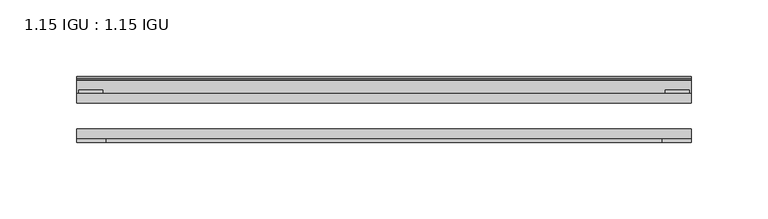
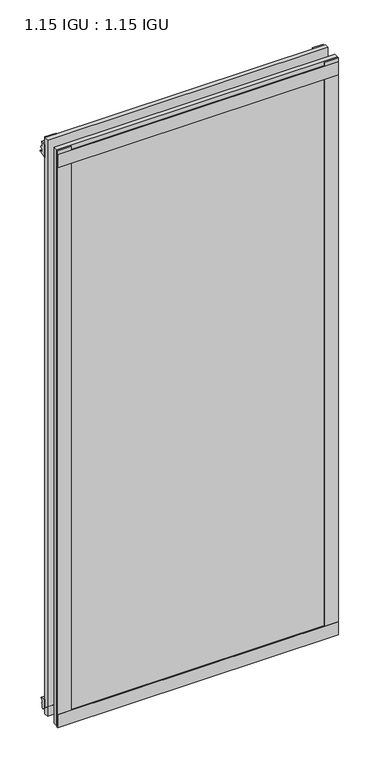
"""IFC4 building model written with IfcOpenShell, lengths in millimetres: plate geometry, 1.15 IGU : 1.15 IGU."""

import ifcopenshell
import ifcopenshell.guid

model = None  # the IFC model being written
_history = None  # IfcOwnerHistory: only IFC2X3 demands one
_inside = {}  # id of a spatial element -> (the spatial element, [elements in it])
_under = {}  # id of a project, library or spatial element -> (it, [spatial elements below it])
_declared = {}  # id of a project -> (the project, [libraries it declares])
_typed = {}  # id of a type object -> (the type object, [elements of that type])
_made_of = {}  # id of a material, layer set ... -> (it, [elements and type objects made of it])


def new_model(schema):
    """Start an empty IFC model of exactly this schema.

    Asked for "IFC4X3", IfcOpenShell would pick the latest addendum, in which some entities
    have other attributes; the version numbers below select the first issue.
    IFC2X3 requires an IfcOwnerHistory on every rooted entity: one is made here for all.
    """
    global model, _history
    if schema == "IFC4X3":
        model = ifcopenshell.file(schema_version=(4, 3, 0, 0))
    else:
        model = ifcopenshell.file(schema=schema)
    _inside.clear()
    _under.clear()
    _declared.clear()
    _typed.clear()
    _made_of.clear()
    _history = None
    if model.schema == "IFC2X3":
        org = make("IfcOrganization", Name="unknown")
        user = make(
            "IfcPersonAndOrganization",
            ThePerson=make("IfcPerson", FamilyName="unknown"),
            TheOrganization=org,
        )
        app = make(
            "IfcApplication",
            ApplicationDeveloper=org,
            Version="unknown",
            ApplicationFullName="unknown",
            ApplicationIdentifier="unknown",
        )
        _history = make(
            "IfcOwnerHistory",
            OwningUser=user,
            OwningApplication=app,
            ChangeAction="ADDED",
            CreationDate=0,
        )
    return model


def make(cls, **values):
    """One entity of the class cls with the attributes given. An attribute that is None is left unset."""
    return model.create_entity(
        cls, **{name: value for name, value in values.items() if value is not None}
    )


def rooted(cls, **values):
    """An entity with a GlobalId (a new one), such as an element, a storey or a relation."""
    return make(cls, GlobalId=ifcopenshell.guid.new(), OwnerHistory=_history, **values)


def si_unit(unit_type, name, prefix=None):
    """IfcSIUnit, for example si_unit("LENGTHUNIT", "METRE", prefix="MILLI")."""
    return make("IfcSIUnit", UnitType=unit_type, Prefix=prefix, Name=name)


def assignment(units):
    """IfcUnitAssignment: the units of a project."""
    return None if units is None else make("IfcUnitAssignment", Units=units)


def point(xyz):
    """IfcCartesianPoint."""
    return None if xyz is None else make("IfcCartesianPoint", Coordinates=xyz)


def direction(xyz):
    """IfcDirection."""
    return None if xyz is None else make("IfcDirection", DirectionRatios=xyz)


def frame(location, z_axis=None, x_axis=None):
    """IfcAxis2Placement3D, a coordinate frame: its origin and axes. An axis left out is left unset."""
    return make(
        "IfcAxis2Placement3D",
        Location=point(location),
        Axis=direction(z_axis),
        RefDirection=direction(x_axis),
    )


def frame_2d(location, x_axis=None):
    """IfcAxis2Placement2D, a coordinate frame in the plane: its origin and x axis."""
    return make(
        "IfcAxis2Placement2D", Location=point(location), RefDirection=direction(x_axis)
    )


def origin():
    """The frame at (0, 0, 0) with its axes left unset."""
    return frame((0.0, 0.0, 0.0))


def place(relative_to, where):
    """IfcLocalPlacement: puts the frame where relative to a parent placement (None: the world)."""
    return make(
        "IfcLocalPlacement", PlacementRelTo=relative_to, RelativePlacement=where
    )


def context(
    kind, dimensions, precision=None, world=None, true_north=None, identifier=None
):
    """IfcGeometricRepresentationContext, for example the 3D "Model" context."""
    return make(
        "IfcGeometricRepresentationContext",
        ContextIdentifier=identifier,
        ContextType=kind,
        CoordinateSpaceDimension=dimensions,
        Precision=precision,
        WorldCoordinateSystem=world,
        TrueNorth=true_north,
    )


def project(units=None, contexts=None):
    """IfcProject with its units and contexts."""
    return rooted(
        "IfcProject",
        Name="project",
        RepresentationContexts=contexts,
        UnitsInContext=assignment(units),
    )


def spatial(cls, under=None, at=None, **own):
    """A site, building, storey or space (cls), placed at a placement, below another one or the project."""
    s = rooted(cls, ObjectPlacement=at, **own)
    if under is not None:
        _under.setdefault(under.id(), (under, []))[1].append(s)
    return s


def polyline(points):
    """IfcPolyline through the points."""
    return make("IfcPolyline", Points=[point(p) for p in points])


def circle_curve(where, radius):
    """IfcCircle in the frame where."""
    return make("IfcCircle", Position=where, Radius=radius)


def trimmed(basis, trim1, trim2, sense, master):
    """IfcTrimmedCurve: the piece of a basis curve between two trims."""
    return make(
        "IfcTrimmedCurve",
        BasisCurve=basis,
        Trim1=trim1,
        Trim2=trim2,
        SenseAgreement=sense,
        MasterRepresentation=master,
    )


def segment(curve, same_sense, transition):
    """IfcCompositeCurveSegment."""
    return make(
        "IfcCompositeCurveSegment",
        Transition=transition,
        SameSense=same_sense,
        ParentCurve=curve,
    )


def composite_curve(segments, self_intersect=None):
    """IfcCompositeCurve: segments joined end to end."""
    return make("IfcCompositeCurve", Segments=segments, SelfIntersect=self_intersect)


def outline(outer, holes=None, kind="AREA"):
    """IfcArbitraryClosedProfileDef: a profile drawn as a closed curve; with holes, ...WithVoids."""
    if holes is None:
        return make("IfcArbitraryClosedProfileDef", ProfileType=kind, OuterCurve=outer)
    return make(
        "IfcArbitraryProfileDefWithVoids",
        ProfileType=kind,
        OuterCurve=outer,
        InnerCurves=holes,
    )


def extrude(swept, where, along, depth):
    """IfcExtrudedAreaSolid: the profile swept, set in the frame where, extruded along a direction by depth."""
    return make(
        "IfcExtrudedAreaSolid",
        SweptArea=swept,
        Position=where,
        ExtrudedDirection=direction(along),
        Depth=depth,
    )


def shape(context_of_items, identifier, shape_type, items):
    """IfcShapeRepresentation: the items that make up one representation, for example the "Body"."""
    return make(
        "IfcShapeRepresentation",
        ContextOfItems=context_of_items,
        RepresentationIdentifier=identifier,
        RepresentationType=shape_type,
        Items=items,
    )


def source(mapping_origin, context_of_items, identifier, shape_type, items):
    """IfcRepresentationMap: a shape defined once, which mapped items show again and again."""
    return make(
        "IfcRepresentationMap",
        MappingOrigin=mapping_origin,
        MappedRepresentation=shape(context_of_items, identifier, shape_type, items),
    )


def transform(
    local_origin,
    x_axis=None,
    y_axis=None,
    z_axis=None,
    scale=None,
    scale2=None,
    scale3=None,
    uniform=True,
):
    """IfcCartesianTransformationOperator3D, or its non-uniform kind. x_axis, y_axis, z_axis: its Axis1, 2, 3."""
    if uniform:
        return make(
            "IfcCartesianTransformationOperator3D",
            Axis1=direction(x_axis),
            Axis2=direction(y_axis),
            LocalOrigin=point(local_origin),
            Scale=scale,
            Axis3=direction(z_axis),
        )
    return make(
        "IfcCartesianTransformationOperator3DnonUniform",
        Axis1=direction(x_axis),
        Axis2=direction(y_axis),
        LocalOrigin=point(local_origin),
        Scale=scale,
        Axis3=direction(z_axis),
        Scale2=scale2,
        Scale3=scale3,
    )


def mapped(mapping_source, mapping_target):
    """IfcMappedItem: shows the shape of a source again, moved by a transform."""
    return make(
        "IfcMappedItem", MappingSource=mapping_source, MappingTarget=mapping_target
    )


def made_of(thing, what):
    """Note that an element or type object is made of a material, layer set ...; save() writes the relation."""
    if what is not None:
        _made_of.setdefault(what.id(), (what, []))[1].append(thing)
    return thing


def element(
    cls,
    number,
    at=None,
    inside=None,
    cuts=None,
    type_object=None,
    material=None,
    context=None,
    identifier="Body",
    shape_type=None,
    held_by="IfcProductDefinitionShape",
    body=None,
    shapes=None,
    **own,
):
    """One element of the class cls, such as IfcWall. Its Tag is "e" and its number.

    at: its placement. inside: the storey or other place that contains it. cuts: it is an
    opening in that element (IfcRelVoidsElement). A single representation is given by context,
    identifier, shape_type and body (its items); several are given by shapes. held_by: the class
    of the entity that holds the representations. save() writes the other relations.
    """
    e = rooted(cls, Tag="e%d" % number, ObjectPlacement=at, **own)
    if body is not None:
        shapes = [shape(context, identifier, shape_type, body)]
    if shapes is not None:
        e.Representation = make(held_by, Representations=shapes)
    if inside is not None:
        _inside.setdefault(inside.id(), (inside, []))[1].append(e)
    if cuts is not None:
        rooted(
            "IfcRelVoidsElement", RelatingBuildingElement=cuts, RelatedOpeningElement=e
        )
    if type_object is not None:
        _typed.setdefault(type_object.id(), (type_object, []))[1].append(e)
    return made_of(e, material)


def aggregate(whole, parts):
    """IfcRelAggregates: a whole, such as a stair, and the parts it consists of."""
    return rooted("IfcRelAggregates", RelatingObject=whole, RelatedObjects=parts)


def save(model, path):
    """Write the relations noted so far, then the file.

    IfcRelAggregates (storeys below a building ...), IfcRelContainedInSpatialStructure (elements
    in a storey), IfcRelDefinesByType, IfcRelAssociatesMaterial and IfcRelDeclares: one each for
    every whole, place, type object, material and project.
    """
    for whole, parts in _under.values():
        aggregate(whole, parts)
    for where, things in _inside.values():
        rooted(
            "IfcRelContainedInSpatialStructure",
            RelatedElements=things,
            RelatingStructure=where,
        )
    for kind, things in _typed.values():
        rooted("IfcRelDefinesByType", RelatedObjects=things, RelatingType=kind)
    for what, things in _made_of.values():
        rooted("IfcRelAssociatesMaterial", RelatedObjects=things, RelatingMaterial=what)
    for by, libraries in _declared.values():
        rooted("IfcRelDeclares", RelatingContext=by, RelatedDefinitions=libraries)
    model.write(path)


def plate_1_15_igu_1_15_igu_80a47734(model_context):
    return source(origin(), model_context, "Body", "SweptSolid", [
        extrude(outline(polyline([(200.2730469, 0.0), (200.2730469, -6.2992), (-200.2730469, -6.2992), (-200.2730469, 0.0), (200.2730469, 0.0)])), frame((0.0, 0.0, -17.4498), z_axis=(0.0, 0.0, 1.0), x_axis=(1.0, 0.0, 0.0)), (0.0, 0.0, 1.0), 868.3366072),
        extrude(outline(polyline([(-200.2730469, -23.1648), (200.2730469, -23.1648), (200.2730469, -29.464), (-200.2730469, -29.464), (-200.2730469, -23.1648)])), frame((0.0, 0.0, -17.4498), z_axis=(0.0, 0.0, 1.0), x_axis=(1.0, 0.0, 0.0)), (0.0, 0.0, 1.0), 868.3366072),
        extrude(outline(polyline([(-200.2730469, -31.75), (-200.2730469, -29.464), (200.2730469, -29.464), (200.2730469, -31.75), (-200.2730469, -31.75)])), frame((0.0, 0.0, -19.05), z_axis=(0.0, 0.0, 1.0), x_axis=(1.0, 0.0, 0.0)), (0.0, 0.0, 1.0), 19.05),
        extrude(outline(composite_curve([segment(trimmed(circle_curve(frame_2d((13.6593785, 32.4202472)), 31.3046461), [point((0.0, 4.2528503))], [point((9.3980339, 1.406995))], True, "CARTESIAN"), True, "CONTINUOUS"), segment(polyline([(9.3980339, 1.406995), (9.3980339, 0.0254), (6.35, 0.0254), (6.35, -5.1625788), (7.7309478, -5.3970663), (6.35, -8.0073788), (6.35, -11.8471127)]), True, "CONTINUOUS"), segment(trimmed(circle_curve(frame_2d((5.334, -11.8471127)), 1.016), [point((6.35, -11.8471127))], [point((4.6284878, -12.5782136))], False, "CARTESIAN"), True, "CONTINUOUS"), segment(trimmed(circle_curve(frame_2d((-23.3689302, -41.5910901)), 40.3187601), [point((4.6284878, -12.5782136))], [point((0.0, -8.735413))], True, "CARTESIAN"), True, "CONTINUOUS"), segment(polyline([(0.0, -8.735413), (0.0, 4.2528503)]), True, "CONTINUOUS")], self_intersect=False)), frame((-200.2730469, 0.0, 0.0), z_axis=(1.0, 0.0, 0.0), x_axis=(0.0, 1.0, 0.0)), (0.0, 0.0, 1.0), 400.5460937),
        extrude(outline(composite_curve([segment(polyline([(8.509, 840.7300284), (8.509, 838.6980284), (6.35, 838.6980284), (6.35, 833.3640284), (8.9492698, 833.3640284)]), True, "CONTINUOUS"), segment(trimmed(circle_curve(frame_2d((8.208689, 831.8368072)), 1.697311), [point((8.9492698, 833.3640284))], [point((8.962411, 830.3160284))], False, "CARTESIAN"), True, "CONTINUOUS"), segment(polyline([(8.962411, 830.3160284), (6.35, 830.3160284), (6.35, 825.4868072), (11.1252, 825.4868072), (11.1252, 824.5978072)]), True, "CONTINUOUS"), segment(trimmed(circle_curve(frame_2d((10.1092, 824.5978072)), 1.016), [point((11.1252, 824.5978072))], [point((10.1092, 823.5818072))], False, "CARTESIAN"), True, "CONTINUOUS"), segment(trimmed(circle_curve(frame_2d((10.1092, 804.1707318)), 19.4110754), [point((10.1092, 823.5818072))], [point((0.0, 820.7416075))], True, "CARTESIAN"), True, "CONTINUOUS"), segment(polyline([(0.0, 820.7416075), (0.0, 840.7300284), (8.509, 840.7300284)]), True, "CONTINUOUS")], self_intersect=False)), frame((-200.2730469, 0.0, 0.0), z_axis=(1.0, 0.0, 0.0), x_axis=(0.0, 1.0, 0.0)), (0.0, 0.0, 1.0), 400.5460937),
        extrude(outline(polyline([(-200.2730469, -31.75), (-200.2730469, -29.464), (200.2730469, -29.464), (200.2730469, -31.75), (-200.2730469, -31.75)])), frame((0.0, 0.0, 825.4868072), z_axis=(0.0, 0.0, 1.0), x_axis=(1.0, 0.0, 0.0)), (0.0, 0.0, 1.0), 19.05),
        extrude(outline(polyline([(181.2230469, -29.464), (200.2730469, -29.464), (200.2730469, -31.75), (181.2230469, -31.75), (181.2230469, -29.464)])), frame((0.0, 0.0, -17.4498), z_axis=(0.0, 0.0, 1.0), x_axis=(1.0, 0.0, 0.0)), (0.0, 0.0, 1.0), 868.3366072),
        extrude(outline(polyline([(199.0665469, 2.2860088), (199.0665469, 0.0021347), (183.1915469, 0.0021347), (183.1915469, 2.2860088), (199.0665469, 2.2860088)])), frame((0.0, 0.0, -17.4498), z_axis=(0.0, 0.0, 1.0), x_axis=(1.0, 0.0, 0.0)), (0.0, 0.0, 1.0), 868.3366072),
        extrude(outline(polyline([(-200.2730469, -31.75), (-200.2730469, -29.464), (-181.2230469, -29.464), (-181.2230469, -31.75), (-200.2730469, -31.75)])), frame((0.0, 0.0, -17.4498), z_axis=(0.0, 0.0, 1.0), x_axis=(1.0, 0.0, 0.0)), (0.0, 0.0, 1.0), 868.3366072),
        extrude(outline(polyline([(-199.0665469, 0.0), (-199.0665469, 2.286), (-183.1915469, 2.286), (-183.1915469, 0.0), (-199.0665469, 0.0)])), frame((0.0, 0.0, -17.4498), z_axis=(0.0, 0.0, 1.0), x_axis=(1.0, 0.0, 0.0)), (0.0, 0.0, 1.0), 868.3366072),
    ])


if __name__ == "__main__":
    model = new_model("IFC4")
    model_context = context("Model", 3, world=origin())
    ifc_project = project(units=[si_unit("LENGTHUNIT", "METRE", prefix="MILLI")], contexts=[model_context])
    site = spatial("IfcSite", under=ifc_project)
    building = spatial("IfcBuilding", under=site)
    placement = place(None, origin())
    plate_1_15_igu_1_15_igu_shape = plate_1_15_igu_1_15_igu_80a47734(model_context)
    element("IfcPlate", 1, ObjectType="1.15 IGU : 1.15 IGU", at=placement, inside=building, context=model_context, shape_type="MappedRepresentation", body=[
        mapped(plate_1_15_igu_1_15_igu_shape, transform((0.0, 0.0, 0.0), x_axis=(1.0, 0.0, 0.0), y_axis=(0.0, 1.0, 0.0), z_axis=(0.0, 0.0, 1.0))),
    ])
    save(model, "model.ifc")
